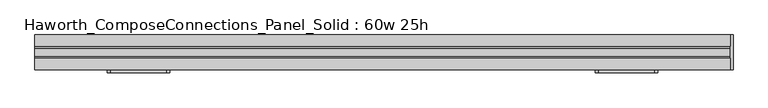
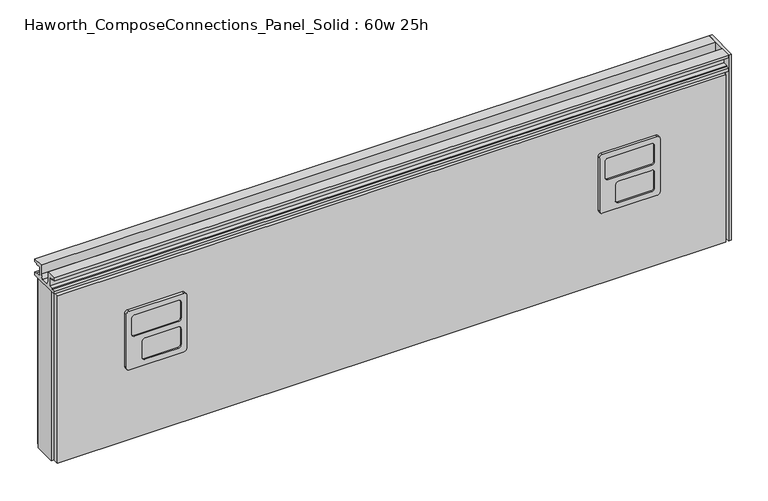
"""IFC4 building model written with IfcOpenShell, lengths in millimetres: furniture geometry, Haworth_ComposeConnections_Panel_Solid : 60w 25h."""

from ifc_helpers import new_model, si_unit, frame, origin, place, context, project, spatial, polyline, circle_curve, outline, extrude, source, transform, mapped, element, save
from ifc_brep_helpers import plane_surface, cylinder_surface, revolved_surface, advanced_brep


def haworth_composeconnections_panel_solid_60w_25h_536d4394(model_context):
    return source(origin(), model_context, "Body", "SolidModel", [
        advanced_brep(
        [(-470.6347098, -38.1, 546.1), (-464.2847098, -38.1, 539.75), (-464.2847098, -38.1, 412.75), (-470.6347098, -38.1, 406.4), (-594.4597098, -38.1, 406.4), (-600.8097098, -38.1, 412.75), (-600.8097098, -38.1, 539.75), (-594.4597098, -38.1, 546.1), (-470.6347098, -44.45, 546.1), (-594.4597098, -44.45, 546.1), (-600.8097098, -44.45, 539.75), (-600.8097098, -44.45, 412.75), (-594.4597098, -44.45, 406.4), (-470.6347098, -44.45, 406.4), (-464.2847098, -44.45, 412.75), (-464.2847098, -44.45, 539.75), (-483.3347098, -44.45, 533.4), (-476.9847098, -44.45, 527.05), (-476.9847098, -44.45, 488.95), (-483.3347098, -44.45, 482.6), (-581.7597098, -44.45, 482.6), (-588.1097098, -44.45, 488.95), (-588.1097098, -44.45, 527.05), (-581.7597098, -44.45, 533.4), (-483.3347098, -44.45, 469.9), (-476.9847098, -44.45, 463.55), (-476.9847098, -44.45, 425.45), (-483.3347098, -44.45, 419.1), (-557.9472098, -44.45, 419.1), (-564.2972098, -44.45, 425.45), (-564.2972098, -44.45, 463.55), (-557.9472098, -44.45, 469.9), (-483.3347098, -41.275, 533.4), (-581.7597098, -41.275, 533.4), (-588.1097098, -41.275, 527.05), (-588.1097098, -41.275, 488.95), (-581.7597098, -41.275, 482.6), (-483.3347098, -41.275, 482.6), (-476.9847098, -41.275, 488.95), (-476.9847098, -41.275, 527.05), (-483.3347098, -41.275, 469.9), (-557.9472098, -41.275, 469.9), (-564.2972098, -41.275, 463.55), (-564.2972098, -41.275, 425.45), (-557.9472098, -41.275, 419.1), (-483.3347098, -41.275, 419.1), (-476.9847098, -41.275, 425.45), (-476.9847098, -41.275, 463.55)],
        [
            (0, 1, circle_curve(frame((-470.6347098, -38.1, 539.75), z_axis=(0.0, 1.0, 0.0), x_axis=(-1.0, 0.0, 0.0)), 6.35)),
            (1, 2),
            (2, 3, circle_curve(frame((-470.6347098, -38.1, 412.75), z_axis=(0.0, 1.0, 0.0), x_axis=(-1.0, 0.0, 0.0)), 6.35)),
            (3, 4),
            (4, 5, circle_curve(frame((-594.4597098, -38.1, 412.75), z_axis=(0.0, 1.0, 0.0), x_axis=(-1.0, 0.0, 0.0)), 6.35)),
            (5, 6),
            (6, 7, circle_curve(frame((-594.4597098, -38.1, 539.75), z_axis=(0.0, 1.0, 0.0), x_axis=(-1.0, 0.0, 0.0)), 6.35)),
            (7, 0),
            (8, 9),
            (9, 10, circle_curve(frame((-594.4597098, -44.45, 539.75), z_axis=(0.0, -1.0, 0.0), x_axis=(-1.0, 0.0, 0.0)), 6.35)),
            (10, 11),
            (11, 12, circle_curve(frame((-594.4597098, -44.45, 412.75), z_axis=(0.0, -1.0, 0.0), x_axis=(-1.0, 0.0, 0.0)), 6.35)),
            (12, 13),
            (13, 14, circle_curve(frame((-470.6347098, -44.45, 412.75), z_axis=(0.0, -1.0, 0.0), x_axis=(-1.0, 0.0, 0.0)), 6.35)),
            (14, 15),
            (15, 8, circle_curve(frame((-470.6347098, -44.45, 539.75), z_axis=(0.0, -1.0, 0.0), x_axis=(-1.0, 0.0, 0.0)), 6.35)),
            (16, 17, circle_curve(frame((-483.3347098, -44.45, 527.05), z_axis=(0.0, 1.0, 0.0), x_axis=(-1.0, 0.0, 0.0)), 6.35)),
            (17, 18),
            (18, 19, circle_curve(frame((-483.3347098, -44.45, 488.95), z_axis=(0.0, 1.0, 0.0), x_axis=(-1.0, 0.0, 0.0)), 6.35)),
            (19, 20),
            (20, 21, circle_curve(frame((-581.7597098, -44.45, 488.95), z_axis=(0.0, 1.0, 0.0), x_axis=(-1.0, 0.0, 0.0)), 6.35)),
            (21, 22),
            (22, 23, circle_curve(frame((-581.7597098, -44.45, 527.05), z_axis=(0.0, 1.0, 0.0), x_axis=(-1.0, 0.0, 0.0)), 6.35)),
            (23, 16),
            (24, 25, circle_curve(frame((-483.3347098, -44.45, 463.55), z_axis=(0.0, 1.0, 0.0), x_axis=(-1.0, 0.0, 0.0)), 6.35)),
            (25, 26),
            (26, 27, circle_curve(frame((-483.3347098, -44.45, 425.45), z_axis=(0.0, 1.0, 0.0), x_axis=(-1.0, 0.0, 0.0)), 6.35)),
            (27, 28),
            (28, 29, circle_curve(frame((-557.9472098, -44.45, 425.45), z_axis=(0.0, 1.0, 0.0), x_axis=(-1.0, 0.0, 0.0)), 6.35)),
            (29, 30),
            (30, 31, circle_curve(frame((-557.9472098, -44.45, 463.55), z_axis=(0.0, 1.0, 0.0), x_axis=(-1.0, 0.0, 0.0)), 6.35)),
            (31, 24),
            (0, 8),
            (15, 1),
            (14, 2),
            (13, 3),
            (12, 4),
            (11, 5),
            (10, 6),
            (9, 7),
            (32, 33),
            (33, 34, circle_curve(frame((-581.7597098, -41.275, 527.05), z_axis=(0.0, -1.0, 0.0), x_axis=(-1.0, 0.0, 0.0)), 6.35)),
            (34, 35),
            (35, 36, circle_curve(frame((-581.7597098, -41.275, 488.95), z_axis=(0.0, -1.0, 0.0), x_axis=(-1.0, 0.0, 0.0)), 6.35)),
            (36, 37),
            (37, 38, circle_curve(frame((-483.3347098, -41.275, 488.95), z_axis=(0.0, -1.0, 0.0), x_axis=(-1.0, 0.0, 0.0)), 6.35)),
            (38, 39),
            (39, 32, circle_curve(frame((-483.3347098, -41.275, 527.05), z_axis=(0.0, -1.0, 0.0), x_axis=(-1.0, 0.0, 0.0)), 6.35)),
            (40, 41),
            (41, 42, circle_curve(frame((-557.9472098, -41.275, 463.55), z_axis=(0.0, -1.0, 0.0), x_axis=(-1.0, 0.0, 0.0)), 6.35)),
            (42, 43),
            (43, 44, circle_curve(frame((-557.9472098, -41.275, 425.45), z_axis=(0.0, -1.0, 0.0), x_axis=(-1.0, 0.0, 0.0)), 6.35)),
            (44, 45),
            (45, 46, circle_curve(frame((-483.3347098, -41.275, 425.45), z_axis=(0.0, -1.0, 0.0), x_axis=(-1.0, 0.0, 0.0)), 6.35)),
            (46, 47),
            (47, 40, circle_curve(frame((-483.3347098, -41.275, 463.55), z_axis=(0.0, -1.0, 0.0), x_axis=(-1.0, 0.0, 0.0)), 6.35)),
            (39, 17),
            (16, 32),
            (38, 18),
            (37, 19),
            (36, 20),
            (35, 21),
            (34, 22),
            (33, 23),
            (47, 25),
            (24, 40),
            (46, 26),
            (45, 27),
            (44, 28),
            (43, 29),
            (42, 30),
            (41, 31),
        ],
        [
            plane_surface(frame((-476.9847098, -38.1, 539.75), z_axis=(0.0, 1.0, 0.0), x_axis=(0.0, 0.0, 1.0))),
            plane_surface(frame((-476.9847098, -44.45, 539.75), z_axis=(0.0, -1.0, 0.0), x_axis=(0.0, 0.0, -1.0))),
            cylinder_surface(frame((-470.6347098, -44.45, 539.75), z_axis=(0.0, 1.0, 0.0), x_axis=(-1.0, 0.0, 0.0)), 6.35),
            plane_surface(frame((-464.2847098, -38.1, 539.75), z_axis=(1.0, 0.0, 0.0), x_axis=(0.0, -1.0, 0.0))),
            cylinder_surface(frame((-470.6347098, -44.45, 412.75), z_axis=(0.0, 1.0, 0.0), x_axis=(-1.0, 0.0, 0.0)), 6.35),
            plane_surface(frame((-470.6347098, -38.1, 406.4), z_axis=(0.0, 0.0, -1.0), x_axis=(0.0, -1.0, 0.0))),
            cylinder_surface(frame((-594.4597098, -44.45, 412.75), z_axis=(0.0, 1.0, 0.0), x_axis=(-1.0, 0.0, 0.0)), 6.35),
            plane_surface(frame((-600.8097098, -38.1, 412.75), z_axis=(-1.0, 0.0, 0.0), x_axis=(0.0, -1.0, 0.0))),
            cylinder_surface(frame((-594.4597098, -44.45, 539.75), z_axis=(0.0, 1.0, 0.0), x_axis=(-1.0, 0.0, 0.0)), 6.35),
            plane_surface(frame((-594.4597098, -38.1, 546.1), z_axis=(0.0, 0.0, 1.0), x_axis=(0.0, -1.0, 0.0))),
            plane_surface(frame((-489.6847098, -41.275, 527.05), z_axis=(0.0, -1.0, 0.0), x_axis=(0.0, 0.0, 1.0))),
            revolved_surface(polyline([(-489.6847098, -41.275, 527.05), (-489.6847098, -44.45, 527.05)]), (-483.3347098, -44.45, 527.05), (0.0, 1.0, 0.0)),
            plane_surface(frame((-476.9847098, -41.275, 527.05), z_axis=(-1.0, 0.0, 0.0), x_axis=(0.0, -1.0, 0.0))),
            revolved_surface(polyline([(-489.6847098, -41.275, 488.95), (-489.6847098, -44.45, 488.95)]), (-483.3347098, -44.45, 488.95), (0.0, 1.0, 0.0)),
            plane_surface(frame((-483.3347098, -41.275, 482.6), z_axis=(0.0, 0.0, 1.0), x_axis=(0.0, -1.0, 0.0))),
            revolved_surface(polyline([(-588.1097098, -41.275, 488.95), (-588.1097098, -44.45, 488.95)]), (-581.7597098, -44.45, 488.95), (0.0, 1.0, 0.0)),
            plane_surface(frame((-588.1097098, -41.275, 488.95), z_axis=(1.0, 0.0, 0.0), x_axis=(0.0, -1.0, 0.0))),
            revolved_surface(polyline([(-588.1097098, -41.275, 527.05), (-588.1097098, -44.45, 527.05)]), (-581.7597098, -44.45, 527.05), (0.0, 1.0, 0.0)),
            plane_surface(frame((-581.7597098, -41.275, 533.4), z_axis=(0.0, 0.0, -1.0), x_axis=(0.0, -1.0, 0.0))),
            revolved_surface(polyline([(-489.6847098, -41.275, 463.55), (-489.6847098, -44.45, 463.55)]), (-483.3347098, -44.45, 463.55), (0.0, 1.0, 0.0)),
            plane_surface(frame((-476.9847098, -41.275, 463.55), z_axis=(-1.0, 0.0, 0.0), x_axis=(0.0, -1.0, 0.0))),
            revolved_surface(polyline([(-489.6847098, -41.275, 425.45), (-489.6847098, -44.45, 425.45)]), (-483.3347098, -44.45, 425.45), (0.0, 1.0, 0.0)),
            plane_surface(frame((-483.3347098, -41.275, 419.1), z_axis=(0.0, 0.0, 1.0), x_axis=(0.0, -1.0, 0.0))),
            revolved_surface(polyline([(-564.2972098, -41.275, 425.45), (-564.2972098, -44.45, 425.45)]), (-557.9472098, -44.45, 425.45), (0.0, 1.0, 0.0)),
            plane_surface(frame((-564.2972098, -41.275, 425.45), z_axis=(1.0, 0.0, 0.0), x_axis=(0.0, -1.0, 0.0))),
            revolved_surface(polyline([(-564.2972098, -41.275, 463.55), (-564.2972098, -44.45, 463.55)]), (-557.9472098, -44.45, 463.55), (0.0, 1.0, 0.0)),
            plane_surface(frame((-557.9472098, -41.275, 469.9), z_axis=(0.0, 0.0, -1.0), x_axis=(0.0, -1.0, 0.0))),
        ],
        [
            (0, [[1, 2, 3, 4, 5, 6, 7, 8]]),
            (1, [[9, 10, 11, 12, 13, 14, 15, 16], [17, 18, 19, 20, 21, 22, 23, 24], [25, 26, 27, 28, 29, 30, 31, 32]]),
            (2, [[-1, 33, -16, 34]]),
            (3, [[-2, -34, -15, 35]]),
            (4, [[-3, -35, -14, 36]]),
            (5, [[-4, -36, -13, 37]]),
            (6, [[-5, -37, -12, 38]]),
            (7, [[-6, -38, -11, 39]]),
            (8, [[-7, -39, -10, 40]]),
            (9, [[-8, -40, -9, -33]]),
            (10, [[41, 42, 43, 44, 45, 46, 47, 48]]),
            (10, [[49, 50, 51, 52, 53, 54, 55, 56]]),
            (11, [[-48, 57, -17, 58]]),
            (12, [[-47, 59, -18, -57]]),
            (13, [[-46, 60, -19, -59]]),
            (14, [[-45, 61, -20, -60]]),
            (15, [[-44, 62, -21, -61]]),
            (16, [[-43, 63, -22, -62]]),
            (17, [[-42, 64, -23, -63]]),
            (18, [[-41, -58, -24, -64]]),
            (19, [[-56, 65, -25, 66]]),
            (20, [[-55, 67, -26, -65]]),
            (21, [[-54, 68, -27, -67]]),
            (22, [[-53, 69, -28, -68]]),
            (23, [[-52, 70, -29, -69]]),
            (24, [[-51, 71, -30, -70]]),
            (25, [[-50, 72, -31, -71]]),
            (26, [[-49, -66, -32, -72]]),
        ],
    ),
        advanced_brep(
        [(599.3402902, -38.1, 546.1), (605.6902902, -38.1, 539.75), (605.6902902, -38.1, 412.75), (599.3402902, -38.1, 406.4), (475.5152902, -38.1, 406.4), (469.1652902, -38.1, 412.75), (469.1652902, -38.1, 539.75), (475.5152902, -38.1, 546.1), (599.3402902, -44.45, 546.1), (475.5152902, -44.45, 546.1), (469.1652902, -44.45, 539.75), (469.1652902, -44.45, 412.75), (475.5152902, -44.45, 406.4), (599.3402902, -44.45, 406.4), (605.6902902, -44.45, 412.75), (605.6902902, -44.45, 539.75), (586.6402902, -44.45, 533.4), (592.9902902, -44.45, 527.05), (592.9902902, -44.45, 488.95), (586.6402902, -44.45, 482.6), (488.2152902, -44.45, 482.6), (481.8652902, -44.45, 488.95), (481.8652902, -44.45, 527.05), (488.2152902, -44.45, 533.4), (586.6402902, -44.45, 469.9), (592.9902902, -44.45, 463.55), (592.9902902, -44.45, 425.45), (586.6402902, -44.45, 419.1), (512.0277902, -44.45, 419.1), (505.6777902, -44.45, 425.45), (505.6777902, -44.45, 463.55), (512.0277902, -44.45, 469.9), (586.6402902, -41.275, 533.4), (488.2152902, -41.275, 533.4), (481.8652902, -41.275, 527.05), (481.8652902, -41.275, 488.95), (488.2152902, -41.275, 482.6), (586.6402902, -41.275, 482.6), (592.9902902, -41.275, 488.95), (592.9902902, -41.275, 527.05), (586.6402902, -41.275, 469.9), (512.0277902, -41.275, 469.9), (505.6777902, -41.275, 463.55), (505.6777902, -41.275, 425.45), (512.0277902, -41.275, 419.1), (586.6402902, -41.275, 419.1), (592.9902902, -41.275, 425.45), (592.9902902, -41.275, 463.55)],
        [
            (0, 1, circle_curve(frame((599.3402902, -38.1, 539.75), z_axis=(0.0, 1.0, 0.0), x_axis=(-1.0, 0.0, 0.0)), 6.35)),
            (1, 2),
            (2, 3, circle_curve(frame((599.3402902, -38.1, 412.75), z_axis=(0.0, 1.0, 0.0), x_axis=(-1.0, 0.0, 0.0)), 6.35)),
            (3, 4),
            (4, 5, circle_curve(frame((475.5152902, -38.1, 412.75), z_axis=(0.0, 1.0, 0.0), x_axis=(-1.0, 0.0, 0.0)), 6.35)),
            (5, 6),
            (6, 7, circle_curve(frame((475.5152902, -38.1, 539.75), z_axis=(0.0, 1.0, 0.0), x_axis=(-1.0, 0.0, 0.0)), 6.35)),
            (7, 0),
            (8, 9),
            (9, 10, circle_curve(frame((475.5152902, -44.45, 539.75), z_axis=(0.0, -1.0, 0.0), x_axis=(-1.0, 0.0, 0.0)), 6.35)),
            (10, 11),
            (11, 12, circle_curve(frame((475.5152902, -44.45, 412.75), z_axis=(0.0, -1.0, 0.0), x_axis=(-1.0, 0.0, 0.0)), 6.35)),
            (12, 13),
            (13, 14, circle_curve(frame((599.3402902, -44.45, 412.75), z_axis=(0.0, -1.0, 0.0), x_axis=(-1.0, 0.0, 0.0)), 6.35)),
            (14, 15),
            (15, 8, circle_curve(frame((599.3402902, -44.45, 539.75), z_axis=(0.0, -1.0, 0.0), x_axis=(-1.0, 0.0, 0.0)), 6.35)),
            (16, 17, circle_curve(frame((586.6402902, -44.45, 527.05), z_axis=(0.0, 1.0, 0.0), x_axis=(-1.0, 0.0, 0.0)), 6.35)),
            (17, 18),
            (18, 19, circle_curve(frame((586.6402902, -44.45, 488.95), z_axis=(0.0, 1.0, 0.0), x_axis=(-1.0, 0.0, 0.0)), 6.35)),
            (19, 20),
            (20, 21, circle_curve(frame((488.2152902, -44.45, 488.95), z_axis=(0.0, 1.0, 0.0), x_axis=(-1.0, 0.0, 0.0)), 6.35)),
            (21, 22),
            (22, 23, circle_curve(frame((488.2152902, -44.45, 527.05), z_axis=(0.0, 1.0, 0.0), x_axis=(-1.0, 0.0, 0.0)), 6.35)),
            (23, 16),
            (24, 25, circle_curve(frame((586.6402902, -44.45, 463.55), z_axis=(0.0, 1.0, 0.0), x_axis=(-1.0, 0.0, 0.0)), 6.35)),
            (25, 26),
            (26, 27, circle_curve(frame((586.6402902, -44.45, 425.45), z_axis=(0.0, 1.0, 0.0), x_axis=(-1.0, 0.0, 0.0)), 6.35)),
            (27, 28),
            (28, 29, circle_curve(frame((512.0277902, -44.45, 425.45), z_axis=(0.0, 1.0, 0.0), x_axis=(-1.0, 0.0, 0.0)), 6.35)),
            (29, 30),
            (30, 31, circle_curve(frame((512.0277902, -44.45, 463.55), z_axis=(0.0, 1.0, 0.0), x_axis=(-1.0, 0.0, 0.0)), 6.35)),
            (31, 24),
            (0, 8),
            (15, 1),
            (14, 2),
            (13, 3),
            (12, 4),
            (11, 5),
            (10, 6),
            (9, 7),
            (32, 33),
            (33, 34, circle_curve(frame((488.2152902, -41.275, 527.05), z_axis=(0.0, -1.0, 0.0), x_axis=(-1.0, 0.0, 0.0)), 6.35)),
            (34, 35),
            (35, 36, circle_curve(frame((488.2152902, -41.275, 488.95), z_axis=(0.0, -1.0, 0.0), x_axis=(-1.0, 0.0, 0.0)), 6.35)),
            (36, 37),
            (37, 38, circle_curve(frame((586.6402902, -41.275, 488.95), z_axis=(0.0, -1.0, 0.0), x_axis=(-1.0, 0.0, 0.0)), 6.35)),
            (38, 39),
            (39, 32, circle_curve(frame((586.6402902, -41.275, 527.05), z_axis=(0.0, -1.0, 0.0), x_axis=(-1.0, 0.0, 0.0)), 6.35)),
            (40, 41),
            (41, 42, circle_curve(frame((512.0277902, -41.275, 463.55), z_axis=(0.0, -1.0, 0.0), x_axis=(-1.0, 0.0, 0.0)), 6.35)),
            (42, 43),
            (43, 44, circle_curve(frame((512.0277902, -41.275, 425.45), z_axis=(0.0, -1.0, 0.0), x_axis=(-1.0, 0.0, 0.0)), 6.35)),
            (44, 45),
            (45, 46, circle_curve(frame((586.6402902, -41.275, 425.45), z_axis=(0.0, -1.0, 0.0), x_axis=(-1.0, 0.0, 0.0)), 6.35)),
            (46, 47),
            (47, 40, circle_curve(frame((586.6402902, -41.275, 463.55), z_axis=(0.0, -1.0, 0.0), x_axis=(-1.0, 0.0, 0.0)), 6.35)),
            (39, 17),
            (16, 32),
            (38, 18),
            (37, 19),
            (36, 20),
            (35, 21),
            (34, 22),
            (33, 23),
            (47, 25),
            (24, 40),
            (46, 26),
            (45, 27),
            (44, 28),
            (43, 29),
            (42, 30),
            (41, 31),
        ],
        [
            plane_surface(frame((592.9902902, -38.1, 539.75), z_axis=(0.0, 1.0, 0.0), x_axis=(0.0, 0.0, 1.0))),
            plane_surface(frame((592.9902902, -44.45, 539.75), z_axis=(0.0, -1.0, 0.0), x_axis=(0.0, 0.0, -1.0))),
            cylinder_surface(frame((599.3402902, -44.45, 539.75), z_axis=(0.0, 1.0, 0.0), x_axis=(-1.0, 0.0, 0.0)), 6.35),
            plane_surface(frame((605.6902902, -38.1, 539.75), z_axis=(1.0, 0.0, 0.0), x_axis=(0.0, -1.0, 0.0))),
            cylinder_surface(frame((599.3402902, -44.45, 412.75), z_axis=(0.0, 1.0, 0.0), x_axis=(-1.0, 0.0, 0.0)), 6.35),
            plane_surface(frame((599.3402902, -38.1, 406.4), z_axis=(0.0, 0.0, -1.0), x_axis=(0.0, -1.0, 0.0))),
            cylinder_surface(frame((475.5152902, -44.45, 412.75), z_axis=(0.0, 1.0, 0.0), x_axis=(-1.0, 0.0, 0.0)), 6.35),
            plane_surface(frame((469.1652902, -38.1, 412.75), z_axis=(-1.0, 0.0, 0.0), x_axis=(0.0, -1.0, 0.0))),
            cylinder_surface(frame((475.5152902, -44.45, 539.75), z_axis=(0.0, 1.0, 0.0), x_axis=(-1.0, 0.0, 0.0)), 6.35),
            plane_surface(frame((475.5152902, -38.1, 546.1), z_axis=(0.0, 0.0, 1.0), x_axis=(0.0, -1.0, 0.0))),
            plane_surface(frame((580.2902902, -41.275, 527.05), z_axis=(0.0, -1.0, 0.0), x_axis=(0.0, 0.0, 1.0))),
            revolved_surface(polyline([(580.2902902, -41.275, 527.05), (580.2902902, -44.45, 527.05)]), (586.6402902, -44.45, 527.05), (0.0, 1.0, 0.0)),
            plane_surface(frame((592.9902902, -41.275, 527.05), z_axis=(-1.0, 0.0, 0.0), x_axis=(0.0, -1.0, 0.0))),
            revolved_surface(polyline([(580.2902902, -41.275, 488.95), (580.2902902, -44.45, 488.95)]), (586.6402902, -44.45, 488.95), (0.0, 1.0, 0.0)),
            plane_surface(frame((586.6402902, -41.275, 482.6), z_axis=(0.0, 0.0, 1.0), x_axis=(0.0, -1.0, 0.0))),
            revolved_surface(polyline([(481.8652902, -41.275, 488.95), (481.8652902, -44.45, 488.95)]), (488.2152902, -44.45, 488.95), (0.0, 1.0, 0.0)),
            plane_surface(frame((481.8652902, -41.275, 488.95), z_axis=(1.0, 0.0, 0.0), x_axis=(0.0, -1.0, 0.0))),
            revolved_surface(polyline([(481.8652902, -41.275, 527.05), (481.8652902, -44.45, 527.05)]), (488.2152902, -44.45, 527.05), (0.0, 1.0, 0.0)),
            plane_surface(frame((488.2152902, -41.275, 533.4), z_axis=(0.0, 0.0, -1.0), x_axis=(0.0, -1.0, 0.0))),
            revolved_surface(polyline([(580.2902902, -41.275, 463.55), (580.2902902, -44.45, 463.55)]), (586.6402902, -44.45, 463.55), (0.0, 1.0, 0.0)),
            plane_surface(frame((592.9902902, -41.275, 463.55), z_axis=(-1.0, 0.0, 0.0), x_axis=(0.0, -1.0, 0.0))),
            revolved_surface(polyline([(580.2902902, -41.275, 425.45), (580.2902902, -44.45, 425.45)]), (586.6402902, -44.45, 425.45), (0.0, 1.0, 0.0)),
            plane_surface(frame((586.6402902, -41.275, 419.1), z_axis=(0.0, 0.0, 1.0), x_axis=(0.0, -1.0, 0.0))),
            revolved_surface(polyline([(505.6777902, -41.275, 425.45), (505.6777902, -44.45, 425.45)]), (512.0277902, -44.45, 425.45), (0.0, 1.0, 0.0)),
            plane_surface(frame((505.6777902, -41.275, 425.45), z_axis=(1.0, 0.0, 0.0), x_axis=(0.0, -1.0, 0.0))),
            revolved_surface(polyline([(505.6777902, -41.275, 463.55), (505.6777902, -44.45, 463.55)]), (512.0277902, -44.45, 463.55), (0.0, 1.0, 0.0)),
            plane_surface(frame((512.0277902, -41.275, 469.9), z_axis=(0.0, 0.0, -1.0), x_axis=(0.0, -1.0, 0.0))),
        ],
        [
            (0, [[1, 2, 3, 4, 5, 6, 7, 8]]),
            (1, [[9, 10, 11, 12, 13, 14, 15, 16], [17, 18, 19, 20, 21, 22, 23, 24], [25, 26, 27, 28, 29, 30, 31, 32]]),
            (2, [[-1, 33, -16, 34]]),
            (3, [[-2, -34, -15, 35]]),
            (4, [[-3, -35, -14, 36]]),
            (5, [[-4, -36, -13, 37]]),
            (6, [[-5, -37, -12, 38]]),
            (7, [[-6, -38, -11, 39]]),
            (8, [[-7, -39, -10, 40]]),
            (9, [[-8, -40, -9, -33]]),
            (10, [[41, 42, 43, 44, 45, 46, 47, 48]]),
            (10, [[49, 50, 51, 52, 53, 54, 55, 56]]),
            (11, [[-48, 57, -17, 58]]),
            (12, [[-47, 59, -18, -57]]),
            (13, [[-46, 60, -19, -59]]),
            (14, [[-45, 61, -20, -60]]),
            (15, [[-44, 62, -21, -61]]),
            (16, [[-43, 63, -22, -62]]),
            (17, [[-42, 64, -23, -63]]),
            (18, [[-41, -58, -24, -64]]),
            (19, [[-56, 65, -25, 66]]),
            (20, [[-55, 67, -26, -65]]),
            (21, [[-54, 68, -27, -67]]),
            (22, [[-53, 69, -28, -68]]),
            (23, [[-52, 70, -29, -69]]),
            (24, [[-51, 71, -30, -70]]),
            (25, [[-50, 72, -31, -71]]),
            (26, [[-49, -66, -32, -72]]),
        ],
    ),
        extrude(outline(polyline([(-38.1, 673.1), (-38.1, 679.45), (-13.5001003, 679.45), (-13.5001003, 657.6828071), (-8.7648475, 647.7), (8.7648498, 647.7), (13.5001026, 657.6828071), (13.5001026, 679.45), (38.1000023, 679.45), (38.1000023, 673.1), (30.6197023, 673.1), (30.6197023, 670.8139719), (19.6977019, 670.8139719), (19.6977019, 649.9860281), (30.6197023, 649.9860281), (30.6197023, 647.7), (38.1000011, 647.7), (38.1000011, 641.35), (-38.0999989, 641.35), (-38.0999989, 647.7), (-30.6197, 647.7), (-30.6197, 649.9860281), (-19.6976996, 649.9860281), (-19.6976996, 670.8139719), (-30.6197, 670.8139719), (-30.6197, 673.1), (-38.1, 673.1)])), frame((-759.5597098, 0.0, 0.0), z_axis=(1.0, 0.0, 0.0), x_axis=(0.0, 1.0, 0.0)), (0.0, 0.0, 1.0), 1524.0),
        extrude(outline(polyline([(770.7902902, 38.1), (770.7902902, -38.1), (764.4402902, -38.1), (764.4402902, 38.1), (770.7902902, 38.1)])), frame((0.0, 0.0, 234.95), z_axis=(0.0, 0.0, 1.0), x_axis=(1.0, 0.0, 0.0)), (0.0, 0.0, 1.0), 444.5),
        extrude(outline(polyline([(764.4402902, -25.4), (-759.5597098, -25.4), (-759.5597098, 25.4), (764.4402902, 25.4), (764.4402902, -25.4)])), frame((0.0, 0.0, 234.95), z_axis=(0.0, 0.0, 1.0), x_axis=(1.0, 0.0, 0.0)), (0.0, 0.0, 1.0), 406.4),
        extrude(outline(polyline([(-753.2097098, -25.4), (758.0902902, -25.4), (758.0902902, -38.1), (-753.2097098, -38.1), (-753.2097098, -25.4)])), frame((0.0, 0.0, 234.95), z_axis=(0.0, 0.0, 1.0), x_axis=(1.0, 0.0, 0.0)), (0.0, 0.0, 1.0), 400.05),
        extrude(outline(polyline([(-753.2097098, 38.1), (758.0902902, 38.1), (758.0902902, 25.4), (-753.2097098, 25.4), (-753.2097098, 38.1)])), frame((0.0, 0.0, 234.95), z_axis=(0.0, 0.0, 1.0), x_axis=(1.0, 0.0, 0.0)), (0.0, 0.0, 1.0), 400.05),
    ])


if __name__ == "__main__":
    model = new_model("IFC4")
    model_context = context("Model", 3, world=origin())
    ifc_project = project(units=[si_unit("LENGTHUNIT", "METRE", prefix="MILLI")], contexts=[model_context])
    site = spatial("IfcSite", under=ifc_project)
    building = spatial("IfcBuilding", under=site)
    placement = place(None, origin())
    haworth_composeconnections_panel_solid_60w_25h_shape = haworth_composeconnections_panel_solid_60w_25h_536d4394(model_context)
    element("IfcFurniture", 1, ObjectType="Haworth_ComposeConnections_Panel_Solid : 60w 25h", at=placement, inside=building, context=model_context, shape_type="MappedRepresentation", body=[
        mapped(haworth_composeconnections_panel_solid_60w_25h_shape, transform((0.0, 0.0, 0.0), x_axis=(1.0, 0.0, 0.0), y_axis=(0.0, 1.0, 0.0), z_axis=(0.0, 0.0, 1.0))),
    ])
    save(model, "model.ifc")
